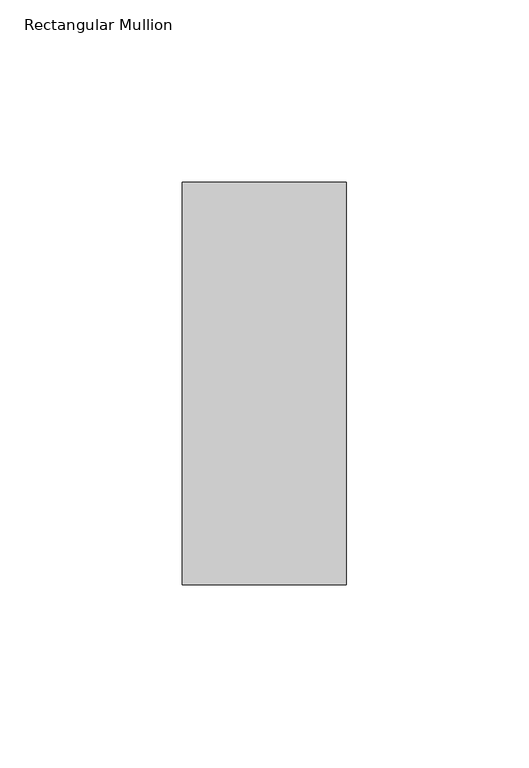
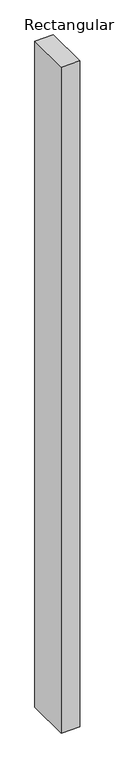
"""IFC4 building model written with IfcOpenShell, lengths in millimetres: member geometry, Rectangular Mullion."""

from ifc_helpers import new_model, si_unit, frame, origin, place, context, project, spatial, polyline, outline, extrude, source, transform, mapped, element, save


def rectangular_mullion_5b99ed07(model_context):
    return source(origin(), model_context, "Body", "SweptSolid", [
        extrude(outline(polyline([(22.5, 70.7), (22.5, -39.7), (-22.5, -39.7), (-22.5, 70.7), (22.5, 70.7)])), frame((0.0, 0.0, -1708.8912252), z_axis=(0.0, 0.0, 1.0), x_axis=(1.0, 0.0, 0.0)), (0.0, 0.0, 1.0), 1708.8912252),
    ])


if __name__ == "__main__":
    model = new_model("IFC4")
    model_context = context("Model", 3, world=origin())
    ifc_project = project(units=[si_unit("LENGTHUNIT", "METRE", prefix="MILLI")], contexts=[model_context])
    site = spatial("IfcSite", under=ifc_project)
    building = spatial("IfcBuilding", under=site)
    placement = place(None, origin())
    rectangular_mullion_shape = rectangular_mullion_5b99ed07(model_context)
    element("IfcMember", 1, ObjectType="Rectangular Mullion", at=placement, inside=building, context=model_context, shape_type="MappedRepresentation", body=[
        mapped(rectangular_mullion_shape, transform((0.0, 0.0, 0.0), x_axis=(1.0, 0.0, 0.0), y_axis=(0.0, 1.0, 0.0), z_axis=(0.0, 0.0, 1.0))),
    ])
    save(model, "model.ifc")
